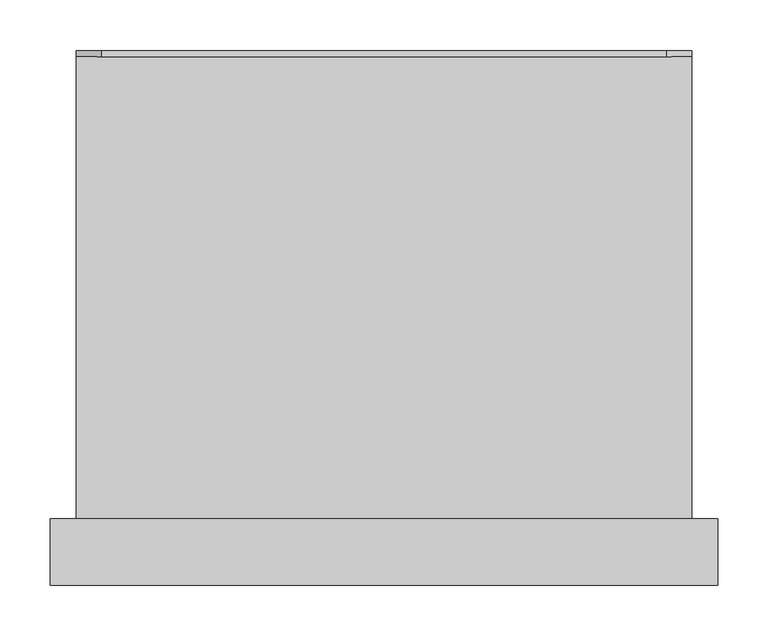
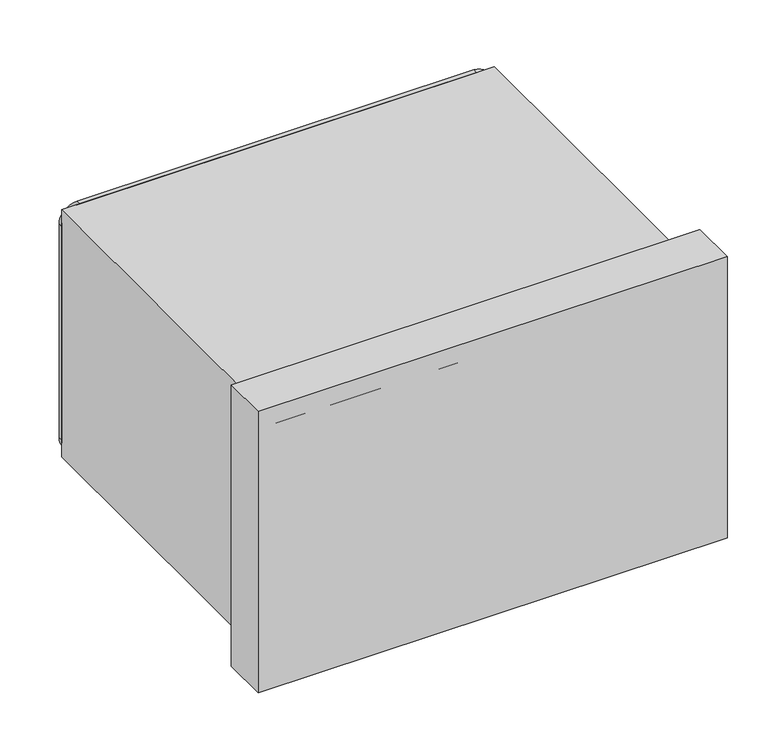
"""IFC4 building model written with IfcOpenShell, lengths in millimetres: proxy geometry."""

from ifc_helpers import new_model, si_unit, point, frame, frame_2d, origin, place, context, project, spatial, polyline, circle_curve, trimmed, segment, composite_curve, outline, extrude, source, transform, mapped, element, save


def generic_models_be1e6c12(model_context):
    return source(origin(), model_context, "Body", "SweptSolid", [
        extrude(outline(composite_curve([segment(polyline([(914.4, -279.4), (914.4, 279.4)]), True, "CONTINUOUS"), segment(trimmed(circle_curve(frame_2d((939.8, 279.4)), 25.4), [point((914.4, 279.4))], [point((939.8, 304.8))], False, "CARTESIAN"), True, "CONTINUOUS"), segment(polyline([(939.8, 304.8), (1257.3, 304.8)]), True, "CONTINUOUS"), segment(trimmed(circle_curve(frame_2d((1257.3, 279.4)), 25.4), [point((1257.3, 304.8))], [point((1282.7, 279.4))], False, "CARTESIAN"), True, "CONTINUOUS"), segment(polyline([(1282.7, 279.4), (1282.7, -279.4)]), True, "CONTINUOUS"), segment(trimmed(circle_curve(frame_2d((1257.3, -279.4)), 25.4), [point((1282.7, -279.4))], [point((1257.3, -304.8))], False, "CARTESIAN"), True, "CONTINUOUS"), segment(polyline([(1257.3, -304.8), (939.8, -304.8)]), True, "CONTINUOUS"), segment(trimmed(circle_curve(frame_2d((939.8, -279.4)), 25.4), [point((939.8, -304.8))], [point((914.4, -279.4))], False, "CARTESIAN"), True, "CONTINUOUS")], self_intersect=False), holes=[polyline([(939.8, -279.4), (946.15, -279.4), (946.15, 279.4), (939.8, 279.4), (939.8, -279.4)]), polyline([(952.5, -279.4), (958.85, -279.4), (958.85, 279.4), (952.5, 279.4), (952.5, -279.4)]), polyline([(965.2, -279.4), (971.55, -279.4), (971.55, 279.4), (965.2, 279.4), (965.2, -279.4)]), polyline([(977.9, -279.4), (984.25, -279.4), (984.25, 279.4), (977.9, 279.4), (977.9, -279.4)]), polyline([(990.6, -279.4), (996.95, -279.4), (996.95, 279.4), (990.6, 279.4), (990.6, -279.4)]), polyline([(1003.3, -279.4), (1009.65, -279.4), (1009.65, 279.4), (1003.3, 279.4), (1003.3, -279.4)]), polyline([(1016.0, -279.4), (1022.35, -279.4), (1022.35, 279.4), (1016.0, 279.4), (1016.0, -279.4)]), polyline([(1028.7, -279.4), (1035.05, -279.4), (1035.05, 279.4), (1028.7, 279.4), (1028.7, -279.4)]), polyline([(1041.4, -279.4), (1047.75, -279.4), (1047.75, 279.4), (1041.4, 279.4), (1041.4, -279.4)]), polyline([(1054.1, -279.4), (1060.45, -279.4), (1060.45, 279.4), (1054.1, 279.4), (1054.1, -279.4)]), polyline([(1066.8, -279.4), (1073.15, -279.4), (1073.15, 279.4), (1066.8, 279.4), (1066.8, -279.4)]), polyline([(1079.5, -279.4), (1085.85, -279.4), (1085.85, 279.4), (1079.5, 279.4), (1079.5, -279.4)]), polyline([(1092.2, -279.4), (1098.55, -279.4), (1098.55, 279.4), (1092.2, 279.4), (1092.2, -279.4)]), polyline([(1104.9, -279.4), (1111.25, -279.4), (1111.25, 279.4), (1104.9, 279.4), (1104.9, -279.4)]), polyline([(1117.6, -279.4), (1123.95, -279.4), (1123.95, 279.4), (1117.6, 279.4), (1117.6, -279.4)]), polyline([(1130.3, -279.4), (1136.65, -279.4), (1136.65, 279.4), (1130.3, 279.4), (1130.3, -279.4)]), polyline([(1143.0, -279.4), (1149.35, -279.4), (1149.35, 279.4), (1143.0, 279.4), (1143.0, -279.4)]), polyline([(1155.7, -279.4), (1162.05, -279.4), (1162.05, 279.4), (1155.7, 279.4), (1155.7, -279.4)]), polyline([(1168.4, -279.4), (1174.75, -279.4), (1174.75, 279.4), (1168.4, 279.4), (1168.4, -279.4)])]), frame((0.0, 330.2, 0.0), z_axis=(0.0, 1.0, 0.0), x_axis=(0.0, 0.0, 1.0)), (0.0, 0.0, 1.0), 6.35),
        extrude(outline(polyline([(279.4, -152.4), (279.4, -156.3181205), (127.0, -156.3181205), (127.0, -152.4), (279.4, -152.4)])), frame((0.0, 0.0, 1199.800951), z_axis=(0.0, 0.0, 1.0), x_axis=(1.0, 0.0, 0.0)), (0.0, 0.0, 1.0), 57.15),
        extrude(outline(composite_curve([segment(polyline([(914.4, -279.4), (914.4, 279.4)]), True, "CONTINUOUS"), segment(trimmed(circle_curve(frame_2d((939.8, 279.4)), 25.4), [point((914.4, 279.4))], [point((939.8, 304.8))], False, "CARTESIAN"), True, "CONTINUOUS"), segment(polyline([(939.8, 304.8), (1257.3, 304.8)]), True, "CONTINUOUS"), segment(trimmed(circle_curve(frame_2d((1257.3, 279.4)), 25.4), [point((1257.3, 304.8))], [point((1282.7, 279.4))], False, "CARTESIAN"), True, "CONTINUOUS"), segment(polyline([(1282.7, 279.4), (1282.7, -279.4)]), True, "CONTINUOUS"), segment(trimmed(circle_curve(frame_2d((1257.3, -279.4)), 25.4), [point((1282.7, -279.4))], [point((1257.3, -304.8))], False, "CARTESIAN"), True, "CONTINUOUS"), segment(polyline([(1257.3, -304.8), (939.8, -304.8)]), True, "CONTINUOUS"), segment(trimmed(circle_curve(frame_2d((939.8, -279.4)), 25.4), [point((939.8, -304.8))], [point((914.4, -279.4))], False, "CARTESIAN"), True, "CONTINUOUS")], self_intersect=False), holes=[polyline([(939.8, -279.4), (946.15, -279.4), (946.15, 279.4), (939.8, 279.4), (939.8, -279.4)]), polyline([(952.5, -279.4), (958.85, -279.4), (958.85, 279.4), (952.5, 279.4), (952.5, -279.4)]), polyline([(965.2, -279.4), (971.55, -279.4), (971.55, 279.4), (965.2, 279.4), (965.2, -279.4)]), polyline([(977.9, -279.4), (984.25, -279.4), (984.25, 279.4), (977.9, 279.4), (977.9, -279.4)]), polyline([(990.6, -279.4), (996.95, -279.4), (996.95, 279.4), (990.6, 279.4), (990.6, -279.4)]), polyline([(1003.3, -279.4), (1009.65, -279.4), (1009.65, 279.4), (1003.3, 279.4), (1003.3, -279.4)]), polyline([(1016.0, -279.4), (1022.35, -279.4), (1022.35, 279.4), (1016.0, 279.4), (1016.0, -279.4)]), polyline([(1028.7, -279.4), (1035.05, -279.4), (1035.05, 279.4), (1028.7, 279.4), (1028.7, -279.4)]), polyline([(1041.4, -279.4), (1047.75, -279.4), (1047.75, 279.4), (1041.4, 279.4), (1041.4, -279.4)]), polyline([(1054.1, -279.4), (1060.45, -279.4), (1060.45, 279.4), (1054.1, 279.4), (1054.1, -279.4)]), polyline([(1066.8, -279.4), (1073.15, -279.4), (1073.15, 279.4), (1066.8, 279.4), (1066.8, -279.4)]), polyline([(1079.5, -279.4), (1085.85, -279.4), (1085.85, 279.4), (1079.5, 279.4), (1079.5, -279.4)]), polyline([(1092.2, -279.4), (1098.55, -279.4), (1098.55, 279.4), (1092.2, 279.4), (1092.2, -279.4)]), polyline([(1104.9, -279.4), (1111.25, -279.4), (1111.25, 279.4), (1104.9, 279.4), (1104.9, -279.4)]), polyline([(1117.6, -279.4), (1123.95, -279.4), (1123.95, 279.4), (1117.6, 279.4), (1117.6, -279.4)]), polyline([(1130.3, -279.4), (1136.65, -279.4), (1136.65, 279.4), (1130.3, 279.4), (1130.3, -279.4)]), polyline([(1143.0, -279.4), (1149.35, -279.4), (1149.35, 279.4), (1143.0, 279.4), (1143.0, -279.4)]), polyline([(1155.7, -279.4), (1162.05, -279.4), (1162.05, 279.4), (1155.7, 279.4), (1155.7, -279.4)]), polyline([(1168.4, -279.4), (1174.75, -279.4), (1174.75, 279.4), (1168.4, 279.4), (1168.4, -279.4)]), polyline([(1200.15, -279.4), (1206.5, -279.4), (1206.5, 101.6), (1200.15, 101.6), (1200.15, -279.4)]), polyline([(1212.85, -279.4), (1219.2, -279.4), (1219.2, 101.6), (1212.85, 101.6), (1212.85, -279.4)]), polyline([(1225.55, -279.4), (1231.9, -279.4), (1231.9, 101.6), (1225.55, 101.6), (1225.55, -279.4)]), polyline([(1238.25, -279.4), (1244.6, -279.4), (1244.6, 101.6), (1238.25, 101.6), (1238.25, -279.4)]), polyline([(1250.95, -279.4), (1257.3, -279.4), (1257.3, 101.6), (1250.95, 101.6), (1250.95, -279.4)])]), frame((0.0, -152.4, 0.0), z_axis=(0.0, 1.0, 0.0), x_axis=(0.0, 0.0, 1.0)), (0.0, 0.0, 1.0), 25.4),
        extrude(outline(polyline([(330.2, -127.0), (330.2, -193.0003125), (-330.2, -193.0003125), (-330.2, -127.0), (330.2, -127.0)])), frame((0.0, 0.0, 889.0), z_axis=(0.0, 0.0, 1.0), x_axis=(1.0, 0.0, 0.0)), (0.0, 0.0, 1.0), 419.1),
        extrude(outline(polyline([(304.8, 330.2), (304.8, -193.0003125), (-304.8, -193.0003125), (-304.8, 330.2), (304.8, 330.2)])), frame((0.0, 0.0, 914.4), z_axis=(0.0, 0.0, 1.0), x_axis=(1.0, 0.0, 0.0)), (0.0, 0.0, 1.0), 368.3),
    ])


if __name__ == "__main__":
    model = new_model("IFC4")
    model_context = context("Model", 3, world=origin())
    ifc_project = project(units=[si_unit("LENGTHUNIT", "METRE", prefix="MILLI")], contexts=[model_context])
    site = spatial("IfcSite", under=ifc_project)
    building = spatial("IfcBuilding", under=site)
    placement = place(None, origin())
    generic_models_shape = generic_models_be1e6c12(model_context)
    element("IfcBuildingElementProxy", 1, Name="Generic Models", at=placement, inside=building, context=model_context, shape_type="MappedRepresentation", body=[
        mapped(generic_models_shape, transform((0.0, 0.0, 0.0), x_axis=(1.0, 0.0, 0.0), y_axis=(0.0, 1.0, 0.0), z_axis=(0.0, 0.0, 1.0))),
    ])
    save(model, "model.ifc")
